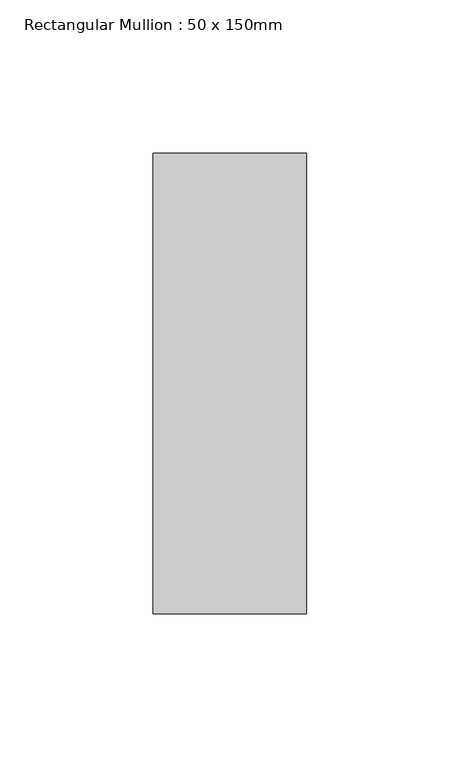
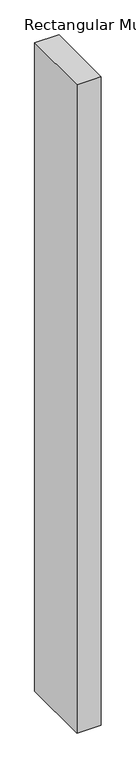
"""IFC4 building model written with IfcOpenShell, lengths in millimetres: member geometry, Rectangular Mullion : 50 x 150mm."""

from ifc_helpers import new_model, si_unit, frame, origin, place, context, project, spatial, polyline, outline, extrude, source, transform, mapped, element, save


def rectangular_mullion_50_x_150mm_0f466a4b(model_context):
    return source(origin(), model_context, "Body", "SweptSolid", [
        extrude(outline(polyline([(0.0, 75.0), (0.0, -75.0), (-50.0, -75.0), (-50.0, 75.0), (0.0, 75.0)])), frame((0.0, 0.0, -1406.733599), z_axis=(0.0, 0.0, 1.0), x_axis=(1.0, 0.0, 0.0)), (0.0, 0.0, 1.0), 1406.733599),
    ])


if __name__ == "__main__":
    model = new_model("IFC4")
    model_context = context("Model", 3, world=origin())
    ifc_project = project(units=[si_unit("LENGTHUNIT", "METRE", prefix="MILLI")], contexts=[model_context])
    site = spatial("IfcSite", under=ifc_project)
    building = spatial("IfcBuilding", under=site)
    placement = place(None, origin())
    rectangular_mullion_50_x_150mm_shape = rectangular_mullion_50_x_150mm_0f466a4b(model_context)
    element("IfcMember", 1, ObjectType="Rectangular Mullion : 50 x 150mm", at=placement, inside=building, context=model_context, shape_type="MappedRepresentation", body=[
        mapped(rectangular_mullion_50_x_150mm_shape, transform((0.0, 0.0, 0.0), x_axis=(1.0, 0.0, 0.0), y_axis=(0.0, 1.0, 0.0), z_axis=(0.0, 0.0, 1.0))),
    ])
    save(model, "model.ifc")
